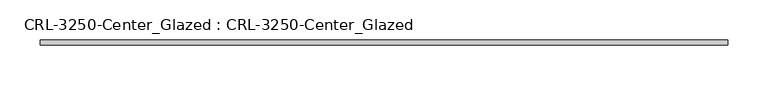
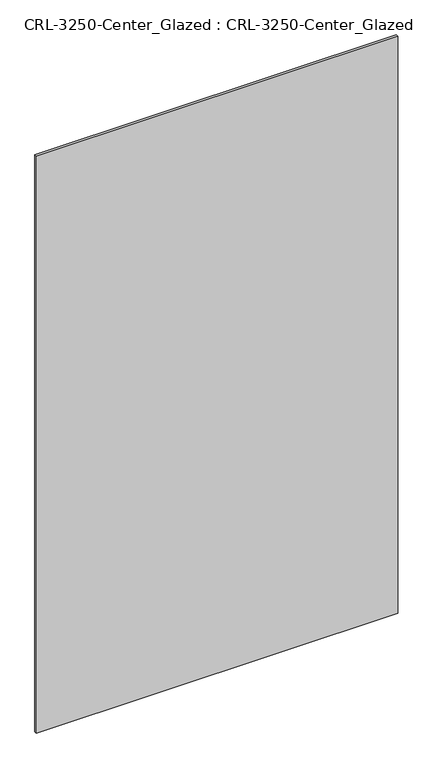
"""IFC4 building model written with IfcOpenShell, lengths in millimetres: plate geometry, CRL-3250-Center_Glazed : CRL-3250-Center_Glazed."""

from ifc_helpers import new_model, si_unit, origin, origin_with_axes, place, context, project, spatial, polyline, outline, extrude, source, transform, mapped, element, save


def crl_3250_center_glazed_crl_3250_center_glazed_51231e1e(model_context):
    return source(origin(), model_context, "Body", "SweptSolid", [
        extrude(outline(polyline([(428.8083322, -3.1749999), (-428.8083322, -3.1749999), (-428.8083322, 3.1749999), (428.8083322, 3.1749999), (428.8083322, -3.1749999)])), origin_with_axes(), (0.0, 0.0, 1.0), 1447.800003),
    ])


if __name__ == "__main__":
    model = new_model("IFC4")
    model_context = context("Model", 3, world=origin())
    ifc_project = project(units=[si_unit("LENGTHUNIT", "METRE", prefix="MILLI")], contexts=[model_context])
    site = spatial("IfcSite", under=ifc_project)
    building = spatial("IfcBuilding", under=site)
    placement = place(None, origin())
    crl_3250_center_glazed_crl_3250_center_glazed_shape = crl_3250_center_glazed_crl_3250_center_glazed_51231e1e(model_context)
    element("IfcPlate", 1, ObjectType="CRL-3250-Center_Glazed : CRL-3250-Center_Glazed", at=placement, inside=building, context=model_context, shape_type="MappedRepresentation", body=[
        mapped(crl_3250_center_glazed_crl_3250_center_glazed_shape, transform((0.0, 0.0, 0.0), x_axis=(1.0, 0.0, 0.0), y_axis=(0.0, 1.0, 0.0), z_axis=(0.0, 0.0, 1.0))),
    ])
    save(model, "model.ifc")
